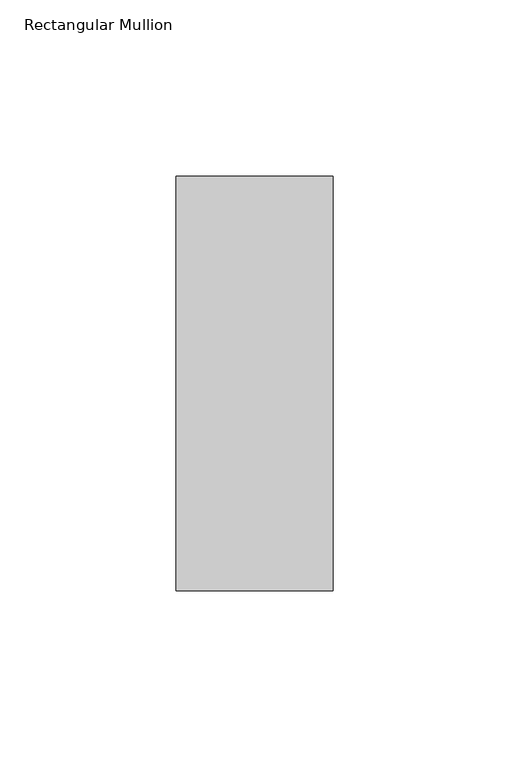
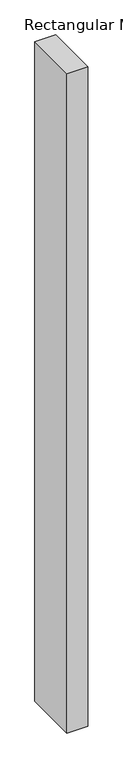
"""IFC4 building model written with IfcOpenShell, lengths in millimetres: member geometry, Rectangular Mullion."""

from ifc_helpers import new_model, si_unit, frame, origin, place, context, project, spatial, polyline, outline, extrude, source, transform, mapped, element, save


def rectangular_mullion_7707df29(model_context):
    return source(origin(), model_context, "Body", "SweptSolid", [
        extrude(outline(polyline([(-44.4386654, 60.3888684), (0.0, 60.3888684), (0.0, -57.1079043), (-44.4386654, -57.1079043), (-44.4386654, 60.3888684)])), frame((0.0, 0.0, -1479.5613346), z_axis=(0.0, 0.0, 1.0), x_axis=(1.0, 0.0, 0.0)), (0.0, 0.0, 1.0), 1479.5613346),
    ])


if __name__ == "__main__":
    model = new_model("IFC4")
    model_context = context("Model", 3, world=origin())
    ifc_project = project(units=[si_unit("LENGTHUNIT", "METRE", prefix="MILLI")], contexts=[model_context])
    site = spatial("IfcSite", under=ifc_project)
    building = spatial("IfcBuilding", under=site)
    placement = place(None, origin())
    rectangular_mullion_shape = rectangular_mullion_7707df29(model_context)
    element("IfcMember", 1, ObjectType="Rectangular Mullion", at=placement, inside=building, context=model_context, shape_type="MappedRepresentation", body=[
        mapped(rectangular_mullion_shape, transform((0.0, 0.0, 0.0), x_axis=(1.0, 0.0, 0.0), y_axis=(0.0, 1.0, 0.0), z_axis=(0.0, 0.0, 1.0))),
    ])
    save(model, "model.ifc")
